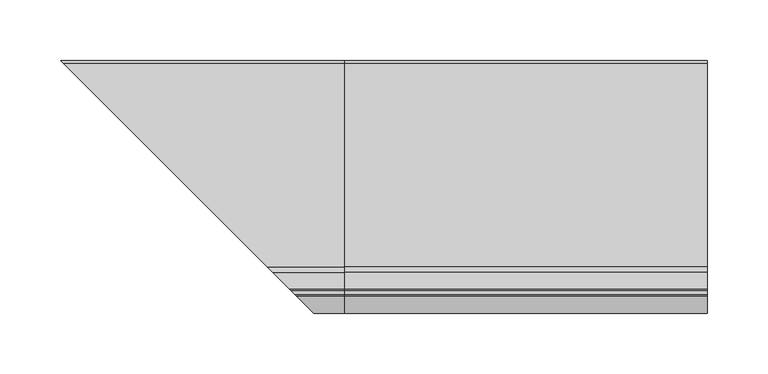
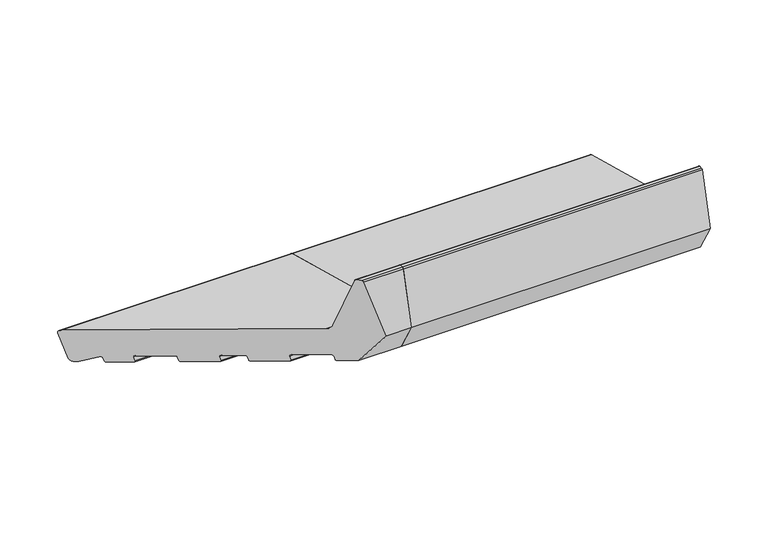
"""IFC4 building model written with IfcOpenShell, lengths in millimetres: proxy geometry."""

from ifc_helpers import new_model, si_unit, point, frame, frame_2d, origin, place, context, project, spatial, polyline, circle_curve, ellipse_curve, trimmed, segment, composite_curve, outline, extrude, source, transform, mapped, element, save
from ifc_brep_helpers import plane_surface, cylinder_surface, revolved_surface, advanced_brep


def generic_models_d39d243f(model_context):
    return source(origin(), model_context, "Body", "SolidModel", [
        advanced_brep(
        [(0.0, 24.5646181, 4.2013545), (0.0, 28.2388527, 6.3226748), (0.0, 34.9681479, 31.4367463), (0.0, 32.8468275, 35.1109809), (0.0, -135.7419043, 80.2841955), (0.0, -139.984545, 84.5268362), (0.0, -153.7329958, 135.8367531), (0.0, -155.1818846, 136.9485245), (0.0, -158.1934447, 136.9485245), (0.0, -159.6423334, 135.8367531), (0.0, -174.0, 82.2532119), (0.0, -156.3223305, 51.6345901), (0.0, -142.7993689, 48.0111234), (0.0, -141.574624, 48.7182302), (0.0, -140.5393479, 52.5819335), (0.0, -139.314603, 53.2890403), (0.0, -113.2346057, 46.3009261), (0.0, -112.5274989, 45.0761812), (0.0, -113.5627751, 41.2124779), (0.0, -112.8556683, 39.9877331), (0.0, -87.7415968, 33.2584379), (0.0, -86.5168519, 33.9655447), (0.0, -85.4815758, 37.829248), (0.0, -84.2568309, 38.5363547), (0.0, -68.8020177, 34.39525), (0.0, -68.0949109, 33.1705052), (0.0, -69.1301871, 29.3068018), (0.0, -68.4230803, 28.082057), (0.0, -43.3090088, 21.3527618), (0.0, -42.0842639, 22.0598686), (0.0, -41.0489877, 25.9235719), (0.0, -39.8242429, 26.6306787), (0.0, -13.7442456, 19.6425645), (0.0, -13.0371388, 18.4178196), (0.0, -14.072415, 14.5541163), (0.0, -13.3653082, 13.3293714), (0.0, 4.0213567, 8.6706286), (0.0, 5.2461016, 9.3777354), (0.0, 6.1942921, 12.9164305), (0.0, 7.6810717, 13.5112573), (0.0, 21.6668406, 4.9778116), (-223.5646181, 24.5646181, 4.2013545), (-227.2388527, 28.2388527, 6.3226748), (-233.9681479, 34.9681479, 31.4367463), (-231.8468275, 32.8468275, 35.1109809), (-63.2580957, -135.7419043, 80.2841955), (-59.015455, -139.984545, 84.5268362), (-45.2670042, -153.7329958, 135.8367531), (-43.8181154, -155.1818846, 136.9485245), (-40.8065553, -158.1934447, 136.9485245), (-39.3576666, -159.6423334, 135.8367531), (-25.0, -174.0, 82.2532119), (-42.6776695, -156.3223305, 51.6345901), (-56.2006311, -142.7993689, 48.0111234), (-57.425376, -141.574624, 48.7182302), (-58.4606521, -140.5393479, 52.5819335), (-59.685397, -139.314603, 53.2890403), (-85.7653943, -113.2346057, 46.3009261), (-86.4725011, -112.5274989, 45.0761812), (-85.4372249, -113.5627751, 41.2124779), (-86.1443317, -112.8556683, 39.9877331), (-111.2584032, -87.7415968, 33.2584379), (-112.4831481, -86.5168519, 33.9655447), (-113.5184242, -85.4815758, 37.829248), (-114.7431691, -84.2568309, 38.5363547), (-220.6668406, 21.6668406, 4.9778116), (-130.1979823, -68.8020177, 34.39525), (-129.8698129, -69.1301871, 29.3068018), (-130.5769197, -68.4230803, 28.082057), (-130.9050891, -68.0949109, 33.1705052), (-155.6909912, -43.3090088, 21.3527618), (-156.9157361, -42.0842639, 22.0598686), (-157.9510123, -41.0489877, 25.9235719), (-159.1757571, -39.8242429, 26.6306787), (-185.2557544, -13.7442456, 19.6425645), (-206.6810717, 7.6810717, 13.5112573), (-205.1942921, 6.1942921, 12.9164305), (-204.2461016, 5.2461016, 9.3777354), (-203.0213567, 4.0213567, 8.6706286), (-185.6346918, -13.3653082, 13.3293714), (-184.927585, -14.072415, 14.5541163), (-185.9628612, -13.0371388, 18.4178196)],
        [
            (0, 1, circle_curve(frame((0.0, 25.3410752, 7.099132), z_axis=(1.0, 0.0, 0.0), x_axis=(0.0, 1.0, 0.0)), 3.0)),
            (1, 2),
            (2, 3, circle_curve(frame((0.0, 32.0703704, 32.2132034), z_axis=(1.0, 0.0, 0.0), x_axis=(0.0, 1.0, 0.0)), 3.0)),
            (3, 4),
            (4, 5, circle_curve(frame((0.0, -134.1889901, 86.0797504), z_axis=(-1.0, 0.0, 0.0), x_axis=(0.0, 1.0, 0.0)), 6.0)),
            (5, 6),
            (6, 7, circle_curve(frame((0.0, -155.1818846, 135.4485245), z_axis=(1.0, 0.0, 0.0), x_axis=(0.0, 1.0, 0.0)), 1.5)),
            (7, 8),
            (8, 9, circle_curve(frame((0.0, -158.1934447, 135.4485245), z_axis=(1.0, 0.0, 0.0), x_axis=(0.0, 1.0, 0.0)), 1.5)),
            (9, 10),
            (10, 11),
            (11, 12),
            (12, 13, circle_curve(frame((0.0, -142.5405499, 48.9770493), z_axis=(1.0, 0.0, 0.0), x_axis=(0.0, 1.0, 0.0)), 1.0)),
            (13, 14),
            (14, 15, circle_curve(frame((0.0, -139.573422, 52.3231145), z_axis=(-1.0, 0.0, 0.0), x_axis=(0.0, 1.0, 0.0)), 1.0)),
            (15, 16),
            (16, 17, circle_curve(frame((0.0, -113.4934247, 45.3350003), z_axis=(-1.0, 0.0, 0.0), x_axis=(0.0, 1.0, 0.0)), 1.0)),
            (17, 18),
            (18, 19, circle_curve(frame((0.0, -112.5968492, 40.9536589), z_axis=(1.0, 0.0, 0.0), x_axis=(0.0, 1.0, 0.0)), 1.0)),
            (19, 20),
            (20, 21, circle_curve(frame((0.0, -87.4827778, 34.2243637), z_axis=(1.0, 0.0, 0.0), x_axis=(0.0, 1.0, 0.0)), 1.0)),
            (21, 22),
            (22, 23, circle_curve(frame((0.0, -84.5156499, 37.5704289), z_axis=(-1.0, 0.0, 0.0), x_axis=(0.0, 1.0, 0.0)), 1.0)),
            (23, 24),
            (24, 25, circle_curve(frame((0.0, -69.0608367, 33.4293242), z_axis=(-1.0, 0.0, 0.0), x_axis=(0.0, 1.0, 0.0)), 1.0)),
            (25, 26),
            (26, 27, circle_curve(frame((0.0, -68.1642612, 29.0479828), z_axis=(1.0, 0.0, 0.0), x_axis=(0.0, 1.0, 0.0)), 1.0)),
            (27, 28),
            (28, 29, circle_curve(frame((0.0, -43.0501897, 22.3186876), z_axis=(1.0, 0.0, 0.0), x_axis=(0.0, 1.0, 0.0)), 1.0)),
            (29, 30),
            (30, 31, circle_curve(frame((0.0, -40.0830619, 25.6647528), z_axis=(-1.0, 0.0, 0.0), x_axis=(0.0, 1.0, 0.0)), 1.0)),
            (31, 32),
            (32, 33, circle_curve(frame((0.0, -14.0030646, 18.6766386), z_axis=(-1.0, 0.0, 0.0), x_axis=(0.0, 1.0, 0.0)), 1.0)),
            (33, 34),
            (34, 35, circle_curve(frame((0.0, -13.1064891, 14.2952972), z_axis=(1.0, 0.0, 0.0), x_axis=(0.0, 1.0, 0.0)), 1.0)),
            (35, 36),
            (36, 37, circle_curve(frame((0.0, 4.2801757, 9.6365544), z_axis=(1.0, 0.0, 0.0), x_axis=(0.0, 1.0, 0.0)), 1.0)),
            (37, 38),
            (38, 39, circle_curve(frame((0.0, 7.1602179, 12.6576114), z_axis=(-1.0, 0.0, 0.0), x_axis=(0.0, 1.0, 0.0)), 1.0)),
            (39, 40),
            (40, 0),
            (0, 41),
            (41, 42, ellipse_curve(frame((-224.3410752, 25.3410752, 7.099132), z_axis=(0.707106781186548, 0.7071067811865471, 0.0), x_axis=(-0.707106781186547, 0.707106781186548, 0.0)), 4.2426407, 3.0)),
            (42, 1),
            (42, 43),
            (43, 2),
            (43, 44, ellipse_curve(frame((-231.0703704, 32.0703704, 32.2132034), z_axis=(0.707106781186548, 0.7071067811865471, 0.0), x_axis=(-0.707106781186547, 0.707106781186548, 0.0)), 4.2426407, 3.0)),
            (44, 3),
            (44, 45),
            (45, 4),
            (45, 46, ellipse_curve(frame((-64.8110099, -134.1889901, 86.0797504), z_axis=(-0.707106781186548, -0.7071067811865471, 0.0), x_axis=(0.707106781186547, -0.707106781186548, 0.0)), 8.4852814, 6.0)),
            (46, 5),
            (46, 47),
            (47, 6),
            (47, 48, ellipse_curve(frame((-43.8181154, -155.1818846, 135.4485245), z_axis=(0.707106781186548, 0.7071067811865471, 0.0), x_axis=(-0.707106781186547, 0.707106781186548, 0.0)), 2.1213203, 1.5)),
            (48, 7),
            (48, 49),
            (49, 8),
            (49, 50, ellipse_curve(frame((-40.8065553, -158.1934447, 135.4485245), z_axis=(0.707106781186548, 0.7071067811865471, 0.0), x_axis=(-0.707106781186547, 0.707106781186548, 0.0)), 2.1213203, 1.5)),
            (50, 9),
            (50, 51),
            (51, 10),
            (51, 52),
            (52, 11),
            (52, 53),
            (53, 12),
            (53, 54, ellipse_curve(frame((-56.4594501, -142.5405499, 48.9770493), z_axis=(0.707106781186548, 0.7071067811865471, 0.0), x_axis=(-0.707106781186547, 0.707106781186548, 0.0)), 1.4142136, 1.0)),
            (54, 13),
            (54, 55),
            (55, 14),
            (55, 56, ellipse_curve(frame((-59.426578, -139.573422, 52.3231145), z_axis=(-0.707106781186548, -0.7071067811865471, 0.0), x_axis=(0.707106781186547, -0.707106781186548, 0.0)), 1.4142136, 1.0)),
            (56, 15),
            (56, 57),
            (57, 16),
            (57, 58, ellipse_curve(frame((-85.5065753, -113.4934247, 45.3350003), z_axis=(-0.707106781186548, -0.7071067811865471, 0.0), x_axis=(0.707106781186547, -0.707106781186548, 0.0)), 1.4142136, 1.0)),
            (58, 17),
            (58, 59),
            (59, 18),
            (59, 60, ellipse_curve(frame((-86.4031508, -112.5968492, 40.9536589), z_axis=(0.707106781186548, 0.7071067811865471, 0.0), x_axis=(-0.707106781186547, 0.707106781186548, 0.0)), 1.4142136, 1.0)),
            (60, 19),
            (60, 61),
            (61, 20),
            (61, 62, ellipse_curve(frame((-111.5172222, -87.4827778, 34.2243637), z_axis=(0.707106781186548, 0.7071067811865471, 0.0), x_axis=(-0.707106781186547, 0.707106781186548, 0.0)), 1.4142136, 1.0)),
            (62, 21),
            (62, 63),
            (63, 22),
            (63, 64, ellipse_curve(frame((-114.4843501, -84.5156499, 37.5704289), z_axis=(-0.707106781186548, -0.7071067811865471, 0.0), x_axis=(0.707106781186547, -0.707106781186548, 0.0)), 1.4142136, 1.0)),
            (64, 23),
            (40, 65),
            (65, 41),
            (64, 66),
            (66, 24),
            (26, 67),
            (67, 68, ellipse_curve(frame((-130.8357388, -68.1642612, 29.0479828), z_axis=(0.707106781186548, 0.7071067811865471, 0.0), x_axis=(-0.707106781186547, 0.707106781186548, 0.0)), 1.4142136, 1.0)),
            (68, 27),
            (25, 69),
            (69, 67),
            (66, 69, ellipse_curve(frame((-129.9391633, -69.0608367, 33.4293242), z_axis=(-0.707106781186548, -0.7071067811865471, 0.0), x_axis=(0.707106781186547, -0.707106781186548, 0.0)), 1.4142136, 1.0)),
            (68, 70),
            (70, 28),
            (70, 71, ellipse_curve(frame((-155.9498103, -43.0501897, 22.3186876), z_axis=(0.707106781186548, 0.7071067811865471, 0.0), x_axis=(-0.707106781186547, 0.707106781186548, 0.0)), 1.4142136, 1.0)),
            (71, 29),
            (71, 72),
            (72, 30),
            (72, 73, ellipse_curve(frame((-158.9169381, -40.0830619, 25.6647528), z_axis=(-0.707106781186548, -0.7071067811865471, 0.0), x_axis=(0.707106781186547, -0.707106781186548, 0.0)), 1.4142136, 1.0)),
            (73, 31),
            (73, 74),
            (74, 32),
            (65, 75),
            (75, 76, ellipse_curve(frame((-206.1602179, 7.1602179, 12.6576114), z_axis=(0.707106781186548, 0.7071067811865471, 0.0), x_axis=(0.707106781186547, -0.707106781186548, 0.0)), 1.4142136, 1.0)),
            (76, 77),
            (77, 78, ellipse_curve(frame((-203.2801757, 4.2801757, 9.6365544), z_axis=(-0.707106781186548, -0.7071067811865471, 0.0), x_axis=(-0.707106781186547, 0.707106781186548, 0.0)), 1.4142136, 1.0)),
            (78, 79),
            (79, 80, ellipse_curve(frame((-185.8935109, -13.1064891, 14.2952972), z_axis=(-0.707106781186548, -0.7071067811865471, 0.0), x_axis=(-0.707106781186547, 0.707106781186548, 0.0)), 1.4142136, 1.0)),
            (80, 81),
            (81, 74, ellipse_curve(frame((-184.9969354, -14.0030646, 18.6766386), z_axis=(0.707106781186548, 0.7071067811865471, 0.0), x_axis=(0.707106781186547, -0.707106781186548, 0.0)), 1.4142136, 1.0)),
            (39, 75),
            (38, 76),
            (37, 77),
            (36, 78),
            (35, 79),
            (34, 80),
            (33, 81),
        ],
        [
            plane_surface(frame((0.0, 0.0, 0.0), z_axis=(1.0, 0.0, 0.0), x_axis=(0.0, 0.0, 1.0))),
            cylinder_surface(frame((-234.3741644, 25.3410752, 7.099132), z_axis=(-1.0, 0.0, 0.0), x_axis=(0.0, 1.0, 0.0)), 3.0),
            plane_surface(frame((-234.3741644, 34.9681479, 31.4367463), z_axis=(0.0, 0.9659258262890685, -0.25881904510252035), x_axis=(1.0, 0.0, 0.0))),
            cylinder_surface(frame((-234.3741644, 32.0703704, 32.2132034), z_axis=(-1.0, 0.0, 0.0), x_axis=(0.0, 1.0, 0.0)), 3.0),
            plane_surface(frame((-234.3741644, -135.7419043, 80.2841955), z_axis=(0.0, 0.2588190451025208, 0.9659258262890684), x_axis=(1.0, 0.0, 0.0))),
            revolved_surface(polyline([(0.0, -128.1889901, 86.0797504), (-70.81100991821609, -128.1889901, 86.0797504)]), (-234.3741644, -134.1889901, 86.0797504), (1.0, 0.0, 0.0)),
            plane_surface(frame((-234.3741644, -153.7329958, 135.8367531), z_axis=(0.0, 0.9659258262890665, 0.2588190451025272), x_axis=(1.0, 0.0, 0.0))),
            cylinder_surface(frame((-234.3741644, -155.1818846, 135.4485245), z_axis=(-1.0, 0.0, 0.0), x_axis=(0.0, 1.0, 0.0)), 1.5),
            plane_surface(frame((-234.3741644, -158.1934447, 136.9485245), z_axis=(0.0, 0.0, 1.0), x_axis=(1.0, 0.0, 0.0))),
            cylinder_surface(frame((-234.3741644, -158.1934447, 135.4485245), z_axis=(-1.0, 0.0, 0.0), x_axis=(0.0, 1.0, 0.0)), 1.5),
            plane_surface(frame((-234.3741644, -174.0, 82.2532119), z_axis=(0.0, -0.9659258262890684, 0.25881904510252035), x_axis=(1.0, 0.0, 0.0))),
            plane_surface(frame((-234.3741644, -156.3223305, 51.6345901), z_axis=(0.0, -0.8660254037844376, -0.5000000000000019), x_axis=(1.0, 0.0, 0.0))),
            plane_surface(frame((-234.3741644, -142.7993689, 48.0111234), z_axis=(0.0, -0.258819045102519, -0.9659258262890688), x_axis=(1.0, 0.0, 0.0))),
            cylinder_surface(frame((-234.3741644, -142.5405499, 48.9770493), z_axis=(-1.0, 0.0, 0.0), x_axis=(0.0, 1.0, 0.0)), 1.0),
            plane_surface(frame((-234.3741644, -140.5393479, 52.5819335), z_axis=(0.0, 0.9659258262890676, -0.25881904510252307), x_axis=(1.0, 0.0, 0.0))),
            revolved_surface(polyline([(0.0, -138.573422, 52.3231145), (-60.42657802660625, -138.573422, 52.3231145)]), (-234.3741644, -139.573422, 52.3231145), (1.0, 0.0, 0.0)),
            plane_surface(frame((-234.3741644, -113.2346057, 46.3009261), z_axis=(0.0, -0.2588190451025203, -0.9659258262890684), x_axis=(1.0, 0.0, 0.0))),
            revolved_surface(polyline([(0.0, -112.4934247, 45.3350003), (-86.50657532660622, -112.4934247, 45.3350003)]), (-234.3741644, -113.4934247, 45.3350003), (1.0, 0.0, 0.0)),
            plane_surface(frame((-234.3741644, -113.5627751, 41.2124779), z_axis=(0.0, -0.9659258262890592, 0.25881904510255466), x_axis=(1.0, 0.0, 0.0))),
            cylinder_surface(frame((-234.3741644, -112.5968492, 40.9536589), z_axis=(-1.0, 0.0, 0.0), x_axis=(0.0, 1.0, 0.0)), 1.0),
            plane_surface(frame((-234.3741644, -87.7415968, 33.2584379), z_axis=(0.0, -0.25881904510252035, -0.9659258262890685), x_axis=(1.0, 0.0, 0.0))),
            cylinder_surface(frame((-234.3741644, -87.4827778, 34.2243637), z_axis=(-1.0, 0.0, 0.0), x_axis=(0.0, 1.0, 0.0)), 1.0),
            plane_surface(frame((-234.3741644, -85.4815758, 37.829248), z_axis=(0.0, 0.9659258262890762, -0.25881904510249154), x_axis=(1.0, 0.0, 0.0))),
            revolved_surface(polyline([(0.0, -83.5156499, 37.5704289), (-115.48435012660624, -83.5156499, 37.5704289)]), (-234.3741644, -84.5156499, 37.5704289), (1.0, 0.0, 0.0)),
            plane_surface(frame((-234.3741644, 24.5646181, 4.2013545), z_axis=(0.0, -0.25881904510252896, -0.9659258262890661), x_axis=(1.0, 0.0, 0.0))),
            plane_surface(frame((-234.3741644, -68.8020177, 34.39525), z_axis=(0.0, -0.2588190451025202, -0.9659258262890685), x_axis=(1.0, 0.0, 0.0))),
            cylinder_surface(frame((-234.3741644, -68.1642612, 29.0479828), z_axis=(-1.0, 0.0, 0.0), x_axis=(0.0, 1.0, 0.0)), 1.0),
            plane_surface(frame((-234.3741644, -69.1301871, 29.3068018), z_axis=(0.0, -0.9659258262890762, 0.25881904510249154), x_axis=(1.0, 0.0, 0.0))),
            revolved_surface(polyline([(0.0, -68.0608367, 33.4293242), (-130.93916332660623, -68.0608367, 33.4293242)]), (-234.3741644, -69.0608367, 33.4293242), (1.0, 0.0, 0.0)),
            plane_surface(frame((-234.3741644, -43.3090088, 21.3527618), z_axis=(0.0, -0.25881904510252096, -0.9659258262890683), x_axis=(1.0, 0.0, 0.0))),
            cylinder_surface(frame((-234.3741644, -43.0501897, 22.3186876), z_axis=(-1.0, 0.0, 0.0), x_axis=(0.0, 1.0, 0.0)), 1.0),
            plane_surface(frame((-234.3741644, -41.0489877, 25.9235719), z_axis=(0.0, 0.9659258262890676, -0.25881904510252307), x_axis=(1.0, 0.0, 0.0))),
            revolved_surface(polyline([(0.0, -39.0830619, 25.6647528), (-159.91693812660625, -39.0830619, 25.6647528)]), (-234.3741644, -40.0830619, 25.6647528), (1.0, 0.0, 0.0)),
            plane_surface(frame((-234.3741644, -13.7442456, 19.6425645), z_axis=(0.0, -0.2588190451025203, -0.9659258262890684), x_axis=(1.0, 0.0, 0.0))),
            plane_surface(frame((-180.2045815, -18.7954185, 0.0), z_axis=(-0.707106781186548, -0.7071067811865471, 0.0), x_axis=(0.0, 0.0, 1.0))),
            plane_surface(frame((-234.3741644, 21.6668406, 4.9778116), z_axis=(0.0, -0.5208538026734657, -0.8536458962828736), x_axis=(1.0, 0.0, 0.0))),
            revolved_surface(polyline([(0.0, 8.1602179, 12.6576114), (-207.16021792660624, 8.1602179, 12.6576114)]), (-234.3741644, 7.1602179, 12.6576114), (1.0, 0.0, 0.0)),
            plane_surface(frame((-234.3741644, 6.1942921, 12.9164305), z_axis=(0.0, 0.9659258262890675, -0.2588190451025239), x_axis=(1.0, 0.0, 0.0))),
            cylinder_surface(frame((-234.3741644, 4.2801757, 9.6365544), z_axis=(-1.0, 0.0, 0.0), x_axis=(0.0, 1.0, 0.0)), 1.0),
            plane_surface(frame((-234.3741644, 4.0213567, 8.6706286), z_axis=(0.0, -0.2588190451025209, -0.9659258262890683), x_axis=(1.0, 0.0, 0.0))),
            cylinder_surface(frame((-234.3741644, -13.1064891, 14.2952972), z_axis=(-1.0, 0.0, 0.0), x_axis=(0.0, 1.0, 0.0)), 1.0),
            plane_surface(frame((-234.3741644, -14.072415, 14.5541163), z_axis=(0.0, -0.9659258262890759, 0.2588190451024926), x_axis=(1.0, 0.0, 0.0))),
            revolved_surface(polyline([(0.0, -13.0030646, 18.6766386), (-185.99693542660626, -13.0030646, 18.6766386)]), (-234.3741644, -14.0030646, 18.6766386), (1.0, 0.0, 0.0)),
        ],
        [
            (0, [[1, 2, 3, 4, 5, 6, 7, 8, 9, 10, 11, 12, 13, 14, 15, 16, 17, 18, 19, 20, 21, 22, 23, 24, 25, 26, 27, 28, 29, 30, 31, 32, 33, 34, 35, 36, 37, 38, 39, 40, 41]]),
            (1, [[-1, 42, 43, 44]]),
            (2, [[-2, -44, 45, 46]]),
            (3, [[-3, -46, 47, 48]]),
            (4, [[-4, -48, 49, 50]]),
            (5, [[-5, -50, 51, 52]]),
            (6, [[-6, -52, 53, 54]]),
            (7, [[-7, -54, 55, 56]]),
            (8, [[-8, -56, 57, 58]]),
            (9, [[-9, -58, 59, 60]]),
            (10, [[-10, -60, 61, 62]]),
            (11, [[-11, -62, 63, 64]]),
            (12, [[-12, -64, 65, 66]]),
            (13, [[-13, -66, 67, 68]]),
            (14, [[-14, -68, 69, 70]]),
            (15, [[-15, -70, 71, 72]]),
            (16, [[-16, -72, 73, 74]]),
            (17, [[-17, -74, 75, 76]]),
            (18, [[-18, -76, 77, 78]]),
            (19, [[-19, -78, 79, 80]]),
            (20, [[-20, -80, 81, 82]]),
            (21, [[-21, -82, 83, 84]]),
            (22, [[-22, -84, 85, 86]]),
            (23, [[-23, -86, 87, 88]]),
            (24, [[-41, 89, 90, -42]]),
            (25, [[-24, -88, 91, 92]]),
            (26, [[-27, 93, 94, 95]]),
            (27, [[-26, 96, 97, -93]]),
            (28, [[-25, -92, 98, -96]]),
            (29, [[-28, -95, 99, 100]]),
            (30, [[-29, -100, 101, 102]]),
            (31, [[-30, -102, 103, 104]]),
            (32, [[-31, -104, 105, 106]]),
            (33, [[-32, -106, 107, 108]]),
            (34, [[-43, -90, 109, 110, 111, 112, 113, 114, 115, 116, -107, -105, -103, -101, -99, -94, -97, -98, -91, -87, -85, -83, -81, -79, -77, -75, -73, -71, -69, -67, -65, -63, -61, -59, -57, -55, -53, -51, -49, -47, -45]]),
            (35, [[-40, 117, -109, -89]]),
            (36, [[-39, 118, -110, -117]]),
            (37, [[-38, 119, -111, -118]]),
            (38, [[-37, 120, -112, -119]]),
            (39, [[-36, 121, -113, -120]]),
            (40, [[-35, 122, -114, -121]]),
            (41, [[-34, 123, -115, -122]]),
            (42, [[-33, -108, -116, -123]]),
        ],
    ),
        extrude(outline(composite_curve([segment(polyline([(24.5646181, 4.2013545), (21.6668406, 4.9778116), (7.6810717, 13.5112573)]), True, "CONTINUOUS"), segment(trimmed(circle_curve(frame_2d((7.1602179, 12.6576114)), 1.0), [point((7.6810717, 13.5112573))], [point((6.1942921, 12.9164305))], True, "CARTESIAN"), True, "CONTINUOUS"), segment(polyline([(6.1942921, 12.9164305), (5.2461016, 9.3777354)]), True, "CONTINUOUS"), segment(trimmed(circle_curve(frame_2d((4.2801757, 9.6365544)), 1.0), [point((5.2461016, 9.3777354))], [point((4.0213567, 8.6706286))], False, "CARTESIAN"), True, "CONTINUOUS"), segment(polyline([(4.0213567, 8.6706286), (-13.3653082, 13.3293714)]), True, "CONTINUOUS"), segment(trimmed(circle_curve(frame_2d((-13.1064891, 14.2952972)), 1.0), [point((-13.3653082, 13.3293714))], [point((-14.072415, 14.5541163))], False, "CARTESIAN"), True, "CONTINUOUS"), segment(polyline([(-14.072415, 14.5541163), (-13.0371388, 18.4178196)]), True, "CONTINUOUS"), segment(trimmed(circle_curve(frame_2d((-14.0030646, 18.6766386)), 1.0), [point((-13.0371388, 18.4178196))], [point((-13.7442456, 19.6425645))], True, "CARTESIAN"), True, "CONTINUOUS"), segment(polyline([(-13.7442456, 19.6425645), (-39.8242429, 26.6306787)]), True, "CONTINUOUS"), segment(trimmed(circle_curve(frame_2d((-40.0830619, 25.6647528)), 1.0), [point((-39.8242429, 26.6306787))], [point((-41.0489877, 25.9235719))], True, "CARTESIAN"), True, "CONTINUOUS"), segment(polyline([(-41.0489877, 25.9235719), (-42.0842639, 22.0598686)]), True, "CONTINUOUS"), segment(trimmed(circle_curve(frame_2d((-43.0501897, 22.3186876)), 1.0), [point((-42.0842639, 22.0598686))], [point((-43.3090088, 21.3527618))], False, "CARTESIAN"), True, "CONTINUOUS"), segment(polyline([(-43.3090088, 21.3527618), (-68.4230803, 28.082057)]), True, "CONTINUOUS"), segment(trimmed(circle_curve(frame_2d((-68.1642612, 29.0479828)), 1.0), [point((-68.4230803, 28.082057))], [point((-69.1301871, 29.3068018))], False, "CARTESIAN"), True, "CONTINUOUS"), segment(polyline([(-69.1301871, 29.3068018), (-68.0949109, 33.1705052)]), True, "CONTINUOUS"), segment(trimmed(circle_curve(frame_2d((-69.0608367, 33.4293242)), 1.0), [point((-68.0949109, 33.1705052))], [point((-68.8020177, 34.39525))], True, "CARTESIAN"), True, "CONTINUOUS"), segment(polyline([(-68.8020177, 34.39525), (-84.2568309, 38.5363547)]), True, "CONTINUOUS"), segment(trimmed(circle_curve(frame_2d((-84.5156499, 37.5704289)), 1.0), [point((-84.2568309, 38.5363547))], [point((-85.4815758, 37.829248))], True, "CARTESIAN"), True, "CONTINUOUS"), segment(polyline([(-85.4815758, 37.829248), (-86.5168519, 33.9655447)]), True, "CONTINUOUS"), segment(trimmed(circle_curve(frame_2d((-87.4827778, 34.2243637)), 1.0), [point((-86.5168519, 33.9655447))], [point((-87.7415968, 33.2584379))], False, "CARTESIAN"), True, "CONTINUOUS"), segment(polyline([(-87.7415968, 33.2584379), (-112.8556683, 39.9877331)]), True, "CONTINUOUS"), segment(trimmed(circle_curve(frame_2d((-112.5968492, 40.9536589)), 1.0), [point((-112.8556683, 39.9877331))], [point((-113.5627751, 41.2124779))], False, "CARTESIAN"), True, "CONTINUOUS"), segment(polyline([(-113.5627751, 41.2124779), (-112.5274989, 45.0761812)]), True, "CONTINUOUS"), segment(trimmed(circle_curve(frame_2d((-113.4934247, 45.3350003)), 1.0), [point((-112.5274989, 45.0761812))], [point((-113.2346057, 46.3009261))], True, "CARTESIAN"), True, "CONTINUOUS"), segment(polyline([(-113.2346057, 46.3009261), (-139.314603, 53.2890403)]), True, "CONTINUOUS"), segment(trimmed(circle_curve(frame_2d((-139.573422, 52.3231145)), 1.0), [point((-139.314603, 53.2890403))], [point((-140.5393479, 52.5819335))], True, "CARTESIAN"), True, "CONTINUOUS"), segment(polyline([(-140.5393479, 52.5819335), (-141.574624, 48.7182302)]), True, "CONTINUOUS"), segment(trimmed(circle_curve(frame_2d((-142.5405499, 48.9770493)), 1.0), [point((-141.574624, 48.7182302))], [point((-142.7993689, 48.0111234))], False, "CARTESIAN"), True, "CONTINUOUS"), segment(polyline([(-142.7993689, 48.0111234), (-156.3223305, 51.6345901), (-174.0, 82.2532119), (-159.6423334, 135.8367531)]), True, "CONTINUOUS"), segment(trimmed(circle_curve(frame_2d((-158.1934447, 135.4485245)), 1.5), [point((-159.6423334, 135.8367531))], [point((-158.1934447, 136.9485245))], False, "CARTESIAN"), True, "CONTINUOUS"), segment(polyline([(-158.1934447, 136.9485245), (-155.1818846, 136.9485245)]), True, "CONTINUOUS"), segment(trimmed(circle_curve(frame_2d((-155.1818846, 135.4485245)), 1.5), [point((-155.1818846, 136.9485245))], [point((-153.7329958, 135.8367531))], False, "CARTESIAN"), True, "CONTINUOUS"), segment(polyline([(-153.7329958, 135.8367531), (-139.984545, 84.5268362)]), True, "CONTINUOUS"), segment(trimmed(circle_curve(frame_2d((-134.1889901, 86.0797504)), 6.0), [point((-139.984545, 84.5268362))], [point((-135.7419043, 80.2841955))], True, "CARTESIAN"), True, "CONTINUOUS"), segment(polyline([(-135.7419043, 80.2841955), (32.8468275, 35.1109809)]), True, "CONTINUOUS"), segment(trimmed(circle_curve(frame_2d((32.0703704, 32.2132034)), 3.0), [point((32.8468275, 35.1109809))], [point((34.9681479, 31.4367463))], False, "CARTESIAN"), True, "CONTINUOUS"), segment(polyline([(34.9681479, 31.4367463), (28.2388527, 6.3226748)]), True, "CONTINUOUS"), segment(trimmed(circle_curve(frame_2d((25.3410752, 7.099132)), 3.0), [point((28.2388527, 6.3226748))], [point((24.5646181, 4.2013545))], False, "CARTESIAN"), True, "CONTINUOUS")], self_intersect=False)), frame((0.0, 0.0, 0.0), z_axis=(1.0, 0.0, 0.0), x_axis=(0.0, 1.0, 0.0)), (0.0, 0.0, 1.0), 300.0),
    ])


if __name__ == "__main__":
    model = new_model("IFC4")
    model_context = context("Model", 3, world=origin())
    ifc_project = project(units=[si_unit("LENGTHUNIT", "METRE", prefix="MILLI")], contexts=[model_context])
    site = spatial("IfcSite", under=ifc_project)
    building = spatial("IfcBuilding", under=site)
    placement = place(None, origin())
    generic_models_shape = generic_models_d39d243f(model_context)
    element("IfcBuildingElementProxy", 1, Name="Generic Models", at=placement, inside=building, context=model_context, shape_type="MappedRepresentation", body=[
        mapped(generic_models_shape, transform((0.0, 0.0, 0.0), x_axis=(1.0, 0.0, 0.0), y_axis=(0.0, 1.0, 0.0), z_axis=(0.0, 0.0, 1.0))),
    ])
    save(model, "model.ifc")
